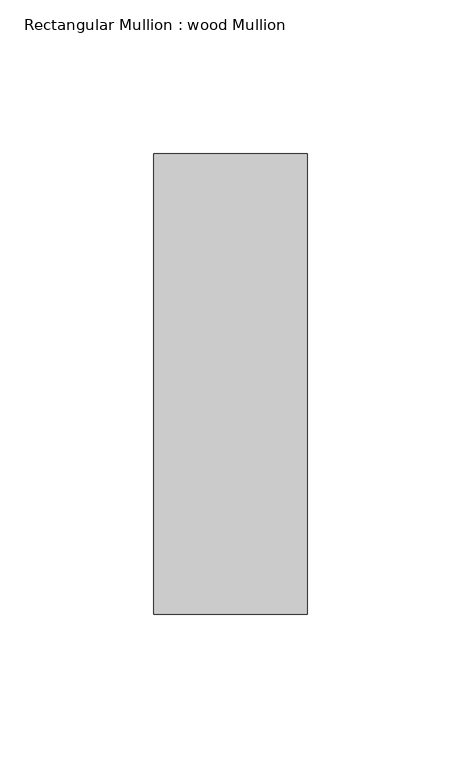
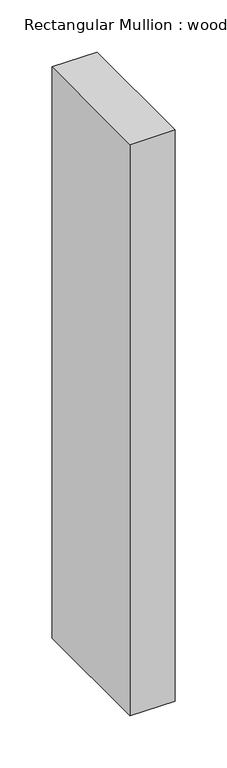
"""IFC4 building model written with IfcOpenShell, lengths in millimetres: member geometry, Rectangular Mullion : wood Mullion."""

from ifc_helpers import new_model, si_unit, frame, origin, place, context, project, spatial, polyline, outline, extrude, source, transform, mapped, element, save


def rectangular_mullion_wood_mullion_8ab0a9a2(model_context):
    return source(origin(), model_context, "Body", "SweptSolid", [
        extrude(outline(polyline([(25.0, 75.0), (25.0, -75.0), (-25.0, -75.0), (-25.0, 75.0), (25.0, 75.0)])), frame((0.0, 0.0, -670.0), z_axis=(0.0, 0.0, 1.0), x_axis=(1.0, 0.0, 0.0)), (0.0, 0.0, 1.0), 670.0),
    ])


if __name__ == "__main__":
    model = new_model("IFC4")
    model_context = context("Model", 3, world=origin())
    ifc_project = project(units=[si_unit("LENGTHUNIT", "METRE", prefix="MILLI")], contexts=[model_context])
    site = spatial("IfcSite", under=ifc_project)
    building = spatial("IfcBuilding", under=site)
    placement = place(None, origin())
    rectangular_mullion_wood_mullion_shape = rectangular_mullion_wood_mullion_8ab0a9a2(model_context)
    element("IfcMember", 1, ObjectType="Rectangular Mullion : wood Mullion", at=placement, inside=building, context=model_context, shape_type="MappedRepresentation", body=[
        mapped(rectangular_mullion_wood_mullion_shape, transform((0.0, 0.0, 0.0), x_axis=(1.0, 0.0, 0.0), y_axis=(0.0, 1.0, 0.0), z_axis=(0.0, 0.0, 1.0))),
    ])
    save(model, "model.ifc")
